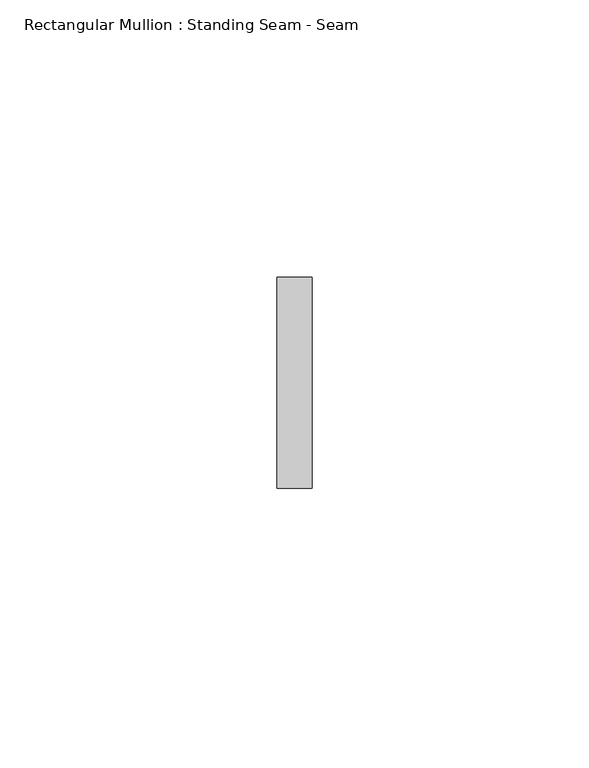
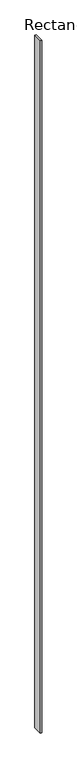
"""IFC4 building model written with IfcOpenShell, lengths in millimetres: member geometry, Rectangular Mullion : Standing Seam - Seam."""

from ifc_helpers import new_model, si_unit, frame, origin, place, context, project, spatial, polyline, outline, extrude, source, transform, mapped, element, save


def rectangular_mullion_standing_seam_seam_70f389f2(model_context):
    return source(origin(), model_context, "Body", "SweptSolid", [
        extrude(outline(polyline([(3.175, 41.275), (3.175, 3.175), (-3.175, 3.175), (-3.175, 41.275), (3.175, 41.275)])), frame((0.0, 0.0, -2970.5874583), z_axis=(0.0, 0.0, 1.0), x_axis=(1.0, 0.0, 0.0)), (0.0, 0.0, 1.0), 2970.5874583),
    ])


if __name__ == "__main__":
    model = new_model("IFC4")
    model_context = context("Model", 3, world=origin())
    ifc_project = project(units=[si_unit("LENGTHUNIT", "METRE", prefix="MILLI")], contexts=[model_context])
    site = spatial("IfcSite", under=ifc_project)
    building = spatial("IfcBuilding", under=site)
    placement = place(None, origin())
    rectangular_mullion_standing_seam_seam_shape = rectangular_mullion_standing_seam_seam_70f389f2(model_context)
    element("IfcMember", 1, ObjectType="Rectangular Mullion : Standing Seam - Seam", at=placement, inside=building, context=model_context, shape_type="MappedRepresentation", body=[
        mapped(rectangular_mullion_standing_seam_seam_shape, transform((0.0, 0.0, 0.0), x_axis=(1.0, 0.0, 0.0), y_axis=(0.0, 1.0, 0.0), z_axis=(0.0, 0.0, 1.0))),
    ])
    save(model, "model.ifc")
